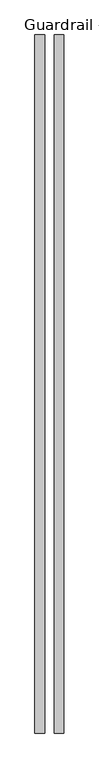
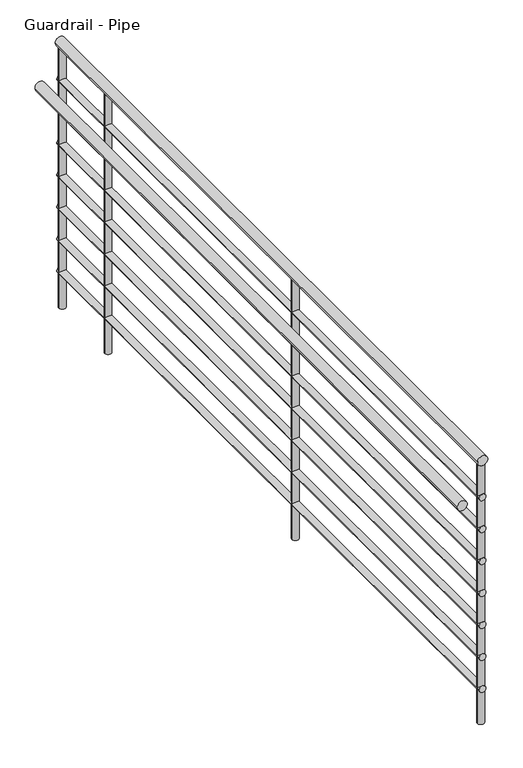
"""IFC4 building model written with IfcOpenShell, lengths in millimetres: railing geometry, Guardrail - Pipe."""

import ifcopenshell
import ifcopenshell.guid

model = None  # the IFC model being written
_history = None  # IfcOwnerHistory: only IFC2X3 demands one
_inside = {}  # id of a spatial element -> (the spatial element, [elements in it])
_under = {}  # id of a project, library or spatial element -> (it, [spatial elements below it])
_declared = {}  # id of a project -> (the project, [libraries it declares])
_typed = {}  # id of a type object -> (the type object, [elements of that type])
_made_of = {}  # id of a material, layer set ... -> (it, [elements and type objects made of it])


def new_model(schema):
    """Start an empty IFC model of exactly this schema.

    Asked for "IFC4X3", IfcOpenShell would pick the latest addendum, in which some entities
    have other attributes; the version numbers below select the first issue.
    IFC2X3 requires an IfcOwnerHistory on every rooted entity: one is made here for all.
    """
    global model, _history
    if schema == "IFC4X3":
        model = ifcopenshell.file(schema_version=(4, 3, 0, 0))
    else:
        model = ifcopenshell.file(schema=schema)
    _inside.clear()
    _under.clear()
    _declared.clear()
    _typed.clear()
    _made_of.clear()
    _history = None
    if model.schema == "IFC2X3":
        org = make("IfcOrganization", Name="unknown")
        user = make(
            "IfcPersonAndOrganization",
            ThePerson=make("IfcPerson", FamilyName="unknown"),
            TheOrganization=org,
        )
        app = make(
            "IfcApplication",
            ApplicationDeveloper=org,
            Version="unknown",
            ApplicationFullName="unknown",
            ApplicationIdentifier="unknown",
        )
        _history = make(
            "IfcOwnerHistory",
            OwningUser=user,
            OwningApplication=app,
            ChangeAction="ADDED",
            CreationDate=0,
        )
    return model


def make(cls, **values):
    """One entity of the class cls with the attributes given. An attribute that is None is left unset."""
    return model.create_entity(
        cls, **{name: value for name, value in values.items() if value is not None}
    )


def rooted(cls, **values):
    """An entity with a GlobalId (a new one), such as an element, a storey or a relation."""
    return make(cls, GlobalId=ifcopenshell.guid.new(), OwnerHistory=_history, **values)


def si_unit(unit_type, name, prefix=None):
    """IfcSIUnit, for example si_unit("LENGTHUNIT", "METRE", prefix="MILLI")."""
    return make("IfcSIUnit", UnitType=unit_type, Prefix=prefix, Name=name)


def assignment(units):
    """IfcUnitAssignment: the units of a project."""
    return None if units is None else make("IfcUnitAssignment", Units=units)


def point(xyz):
    """IfcCartesianPoint."""
    return None if xyz is None else make("IfcCartesianPoint", Coordinates=xyz)


def direction(xyz):
    """IfcDirection."""
    return None if xyz is None else make("IfcDirection", DirectionRatios=xyz)


def frame(location, z_axis=None, x_axis=None):
    """IfcAxis2Placement3D, a coordinate frame: its origin and axes. An axis left out is left unset."""
    return make(
        "IfcAxis2Placement3D",
        Location=point(location),
        Axis=direction(z_axis),
        RefDirection=direction(x_axis),
    )


def frame_2d(location, x_axis=None):
    """IfcAxis2Placement2D, a coordinate frame in the plane: its origin and x axis."""
    return make(
        "IfcAxis2Placement2D", Location=point(location), RefDirection=direction(x_axis)
    )


def origin():
    """The frame at (0, 0, 0) with its axes left unset."""
    return frame((0.0, 0.0, 0.0))


def place(relative_to, where):
    """IfcLocalPlacement: puts the frame where relative to a parent placement (None: the world)."""
    return make(
        "IfcLocalPlacement", PlacementRelTo=relative_to, RelativePlacement=where
    )


def context(
    kind, dimensions, precision=None, world=None, true_north=None, identifier=None
):
    """IfcGeometricRepresentationContext, for example the 3D "Model" context."""
    return make(
        "IfcGeometricRepresentationContext",
        ContextIdentifier=identifier,
        ContextType=kind,
        CoordinateSpaceDimension=dimensions,
        Precision=precision,
        WorldCoordinateSystem=world,
        TrueNorth=true_north,
    )


def project(units=None, contexts=None):
    """IfcProject with its units and contexts."""
    return rooted(
        "IfcProject",
        Name="project",
        RepresentationContexts=contexts,
        UnitsInContext=assignment(units),
    )


def spatial(cls, under=None, at=None, **own):
    """A site, building, storey or space (cls), placed at a placement, below another one or the project."""
    s = rooted(cls, ObjectPlacement=at, **own)
    if under is not None:
        _under.setdefault(under.id(), (under, []))[1].append(s)
    return s


def circle_curve(where, radius):
    """IfcCircle in the frame where."""
    return make("IfcCircle", Position=where, Radius=radius)


def trimmed(basis, trim1, trim2, sense, master):
    """IfcTrimmedCurve: the piece of a basis curve between two trims."""
    return make(
        "IfcTrimmedCurve",
        BasisCurve=basis,
        Trim1=trim1,
        Trim2=trim2,
        SenseAgreement=sense,
        MasterRepresentation=master,
    )


def segment(curve, same_sense, transition):
    """IfcCompositeCurveSegment."""
    return make(
        "IfcCompositeCurveSegment",
        Transition=transition,
        SameSense=same_sense,
        ParentCurve=curve,
    )


def composite_curve(segments, self_intersect=None):
    """IfcCompositeCurve: segments joined end to end."""
    return make("IfcCompositeCurve", Segments=segments, SelfIntersect=self_intersect)


def outline(outer, holes=None, kind="AREA"):
    """IfcArbitraryClosedProfileDef: a profile drawn as a closed curve; with holes, ...WithVoids."""
    if holes is None:
        return make("IfcArbitraryClosedProfileDef", ProfileType=kind, OuterCurve=outer)
    return make(
        "IfcArbitraryProfileDefWithVoids",
        ProfileType=kind,
        OuterCurve=outer,
        InnerCurves=holes,
    )


def extrude(swept, where, along, depth):
    """IfcExtrudedAreaSolid: the profile swept, set in the frame where, extruded along a direction by depth."""
    return make(
        "IfcExtrudedAreaSolid",
        SweptArea=swept,
        Position=where,
        ExtrudedDirection=direction(along),
        Depth=depth,
    )


def shape(context_of_items, identifier, shape_type, items):
    """IfcShapeRepresentation: the items that make up one representation, for example the "Body"."""
    return make(
        "IfcShapeRepresentation",
        ContextOfItems=context_of_items,
        RepresentationIdentifier=identifier,
        RepresentationType=shape_type,
        Items=items,
    )


def source(mapping_origin, context_of_items, identifier, shape_type, items):
    """IfcRepresentationMap: a shape defined once, which mapped items show again and again."""
    return make(
        "IfcRepresentationMap",
        MappingOrigin=mapping_origin,
        MappedRepresentation=shape(context_of_items, identifier, shape_type, items),
    )


def transform(
    local_origin,
    x_axis=None,
    y_axis=None,
    z_axis=None,
    scale=None,
    scale2=None,
    scale3=None,
    uniform=True,
):
    """IfcCartesianTransformationOperator3D, or its non-uniform kind. x_axis, y_axis, z_axis: its Axis1, 2, 3."""
    if uniform:
        return make(
            "IfcCartesianTransformationOperator3D",
            Axis1=direction(x_axis),
            Axis2=direction(y_axis),
            LocalOrigin=point(local_origin),
            Scale=scale,
            Axis3=direction(z_axis),
        )
    return make(
        "IfcCartesianTransformationOperator3DnonUniform",
        Axis1=direction(x_axis),
        Axis2=direction(y_axis),
        LocalOrigin=point(local_origin),
        Scale=scale,
        Axis3=direction(z_axis),
        Scale2=scale2,
        Scale3=scale3,
    )


def mapped(mapping_source, mapping_target):
    """IfcMappedItem: shows the shape of a source again, moved by a transform."""
    return make(
        "IfcMappedItem", MappingSource=mapping_source, MappingTarget=mapping_target
    )


def made_of(thing, what):
    """Note that an element or type object is made of a material, layer set ...; save() writes the relation."""
    if what is not None:
        _made_of.setdefault(what.id(), (what, []))[1].append(thing)
    return thing


def element(
    cls,
    number,
    at=None,
    inside=None,
    cuts=None,
    type_object=None,
    material=None,
    context=None,
    identifier="Body",
    shape_type=None,
    held_by="IfcProductDefinitionShape",
    body=None,
    shapes=None,
    **own,
):
    """One element of the class cls, such as IfcWall. Its Tag is "e" and its number.

    at: its placement. inside: the storey or other place that contains it. cuts: it is an
    opening in that element (IfcRelVoidsElement). A single representation is given by context,
    identifier, shape_type and body (its items); several are given by shapes. held_by: the class
    of the entity that holds the representations. save() writes the other relations.
    """
    e = rooted(cls, Tag="e%d" % number, ObjectPlacement=at, **own)
    if body is not None:
        shapes = [shape(context, identifier, shape_type, body)]
    if shapes is not None:
        e.Representation = make(held_by, Representations=shapes)
    if inside is not None:
        _inside.setdefault(inside.id(), (inside, []))[1].append(e)
    if cuts is not None:
        rooted(
            "IfcRelVoidsElement", RelatingBuildingElement=cuts, RelatedOpeningElement=e
        )
    if type_object is not None:
        _typed.setdefault(type_object.id(), (type_object, []))[1].append(e)
    return made_of(e, material)


def aggregate(whole, parts):
    """IfcRelAggregates: a whole, such as a stair, and the parts it consists of."""
    return rooted("IfcRelAggregates", RelatingObject=whole, RelatedObjects=parts)


def save(model, path):
    """Write the relations noted so far, then the file.

    IfcRelAggregates (storeys below a building ...), IfcRelContainedInSpatialStructure (elements
    in a storey), IfcRelDefinesByType, IfcRelAssociatesMaterial and IfcRelDeclares: one each for
    every whole, place, type object, material and project.
    """
    for whole, parts in _under.values():
        aggregate(whole, parts)
    for where, things in _inside.values():
        rooted(
            "IfcRelContainedInSpatialStructure",
            RelatedElements=things,
            RelatingStructure=where,
        )
    for kind, things in _typed.values():
        rooted("IfcRelDefinesByType", RelatedObjects=things, RelatingType=kind)
    for what, things in _made_of.values():
        rooted("IfcRelAssociatesMaterial", RelatedObjects=things, RelatingMaterial=what)
    for by, libraries in _declared.values():
        rooted("IfcRelDeclares", RelatingContext=by, RelatedDefinitions=libraries)
    model.write(path)


def guardrail_pipe_5ca33000(model_context):
    return source(origin(), model_context, "Body", "SweptSolid", [
        extrude(outline(composite_curve([segment(trimmed(circle_curve(frame_2d((4087.75, 1291.8063517)), 19.05), [point((4087.75, 1272.7563517))], [point((4087.75, 1310.8563517))], False, "CARTESIAN"), True, "CONTINUOUS"), segment(trimmed(circle_curve(frame_2d((4087.75, 1291.8063517)), 19.05), [point((4087.75, 1310.8563517))], [point((4087.75, 1272.7563517))], False, "CARTESIAN"), True, "CONTINUOUS")], self_intersect=False)), frame((0.0, 1688.7780062, 0.0), z_axis=(0.0, 1.0, 0.0), x_axis=(0.0, 0.0, 1.0)), (0.0, 0.0, 1.0), 2748.4278406),
        extrude(outline(composite_curve([segment(trimmed(circle_curve(frame_2d((3941.7, 1291.8063517)), 12.7), [point((3941.7, 1279.1063517))], [point((3941.7, 1304.5063517))], False, "CARTESIAN"), True, "CONTINUOUS"), segment(trimmed(circle_curve(frame_2d((3941.7, 1291.8063517)), 12.7), [point((3941.7, 1304.5063517))], [point((3941.7, 1279.1063517))], False, "CARTESIAN"), True, "CONTINUOUS")], self_intersect=False)), frame((0.0, 1688.7780062, 0.0), z_axis=(0.0, 1.0, 0.0), x_axis=(0.0, 0.0, 1.0)), (0.0, 0.0, 1.0), 2748.4278406),
        extrude(outline(composite_curve([segment(trimmed(circle_curve(frame_2d((3935.35, 1215.6063517)), 19.05), [point((3935.35, 1196.5563517))], [point((3935.35, 1234.6563517))], False, "CARTESIAN"), True, "CONTINUOUS"), segment(trimmed(circle_curve(frame_2d((3935.35, 1215.6063517)), 19.05), [point((3935.35, 1234.6563517))], [point((3935.35, 1196.5563517))], False, "CARTESIAN"), True, "CONTINUOUS")], self_intersect=False)), frame((0.0, 1688.7780062, 0.0), z_axis=(0.0, 1.0, 0.0), x_axis=(0.0, 0.0, 1.0)), (0.0, 0.0, 1.0), 2748.4278406),
        extrude(outline(composite_curve([segment(trimmed(circle_curve(frame_2d((3814.7, 1291.8063517)), 12.7), [point((3814.7, 1279.1063517))], [point((3814.7, 1304.5063517))], False, "CARTESIAN"), True, "CONTINUOUS"), segment(trimmed(circle_curve(frame_2d((3814.7, 1291.8063517)), 12.7), [point((3814.7, 1304.5063517))], [point((3814.7, 1279.1063517))], False, "CARTESIAN"), True, "CONTINUOUS")], self_intersect=False)), frame((0.0, 1688.7780062, 0.0), z_axis=(0.0, 1.0, 0.0), x_axis=(0.0, 0.0, 1.0)), (0.0, 0.0, 1.0), 2748.4278406),
        extrude(outline(composite_curve([segment(trimmed(circle_curve(frame_2d((3687.7, 1291.8063517)), 12.7), [point((3687.7, 1279.1063517))], [point((3687.7, 1304.5063517))], False, "CARTESIAN"), True, "CONTINUOUS"), segment(trimmed(circle_curve(frame_2d((3687.7, 1291.8063517)), 12.7), [point((3687.7, 1304.5063517))], [point((3687.7, 1279.1063517))], False, "CARTESIAN"), True, "CONTINUOUS")], self_intersect=False)), frame((0.0, 1688.7780062, 0.0), z_axis=(0.0, 1.0, 0.0), x_axis=(0.0, 0.0, 1.0)), (0.0, 0.0, 1.0), 2748.4278406),
        extrude(outline(composite_curve([segment(trimmed(circle_curve(frame_2d((3560.7, 1291.8063517)), 12.7), [point((3560.7, 1279.1063517))], [point((3560.7, 1304.5063517))], False, "CARTESIAN"), True, "CONTINUOUS"), segment(trimmed(circle_curve(frame_2d((3560.7, 1291.8063517)), 12.7), [point((3560.7, 1304.5063517))], [point((3560.7, 1279.1063517))], False, "CARTESIAN"), True, "CONTINUOUS")], self_intersect=False)), frame((0.0, 1688.7780062, 0.0), z_axis=(0.0, 1.0, 0.0), x_axis=(0.0, 0.0, 1.0)), (0.0, 0.0, 1.0), 2748.4278406),
        extrude(outline(composite_curve([segment(trimmed(circle_curve(frame_2d((3433.7, 1291.8063517)), 12.7), [point((3433.7, 1279.1063517))], [point((3433.7, 1304.5063517))], False, "CARTESIAN"), True, "CONTINUOUS"), segment(trimmed(circle_curve(frame_2d((3433.7, 1291.8063517)), 12.7), [point((3433.7, 1304.5063517))], [point((3433.7, 1279.1063517))], False, "CARTESIAN"), True, "CONTINUOUS")], self_intersect=False)), frame((0.0, 1688.7780062, 0.0), z_axis=(0.0, 1.0, 0.0), x_axis=(0.0, 0.0, 1.0)), (0.0, 0.0, 1.0), 2748.4278406),
        extrude(outline(composite_curve([segment(trimmed(circle_curve(frame_2d((3306.7, 1291.8063517)), 12.7), [point((3306.7, 1279.1063517))], [point((3306.7, 1304.5063517))], False, "CARTESIAN"), True, "CONTINUOUS"), segment(trimmed(circle_curve(frame_2d((3306.7, 1291.8063517)), 12.7), [point((3306.7, 1304.5063517))], [point((3306.7, 1279.1063517))], False, "CARTESIAN"), True, "CONTINUOUS")], self_intersect=False)), frame((0.0, 1688.7780062, 0.0), z_axis=(0.0, 1.0, 0.0), x_axis=(0.0, 0.0, 1.0)), (0.0, 0.0, 1.0), 2748.4278406),
        extrude(outline(composite_curve([segment(trimmed(circle_curve(frame_2d((3179.7, 1291.8063517)), 12.7), [point((3179.7, 1279.1063517))], [point((3179.7, 1304.5063517))], False, "CARTESIAN"), True, "CONTINUOUS"), segment(trimmed(circle_curve(frame_2d((3179.7, 1291.8063517)), 12.7), [point((3179.7, 1304.5063517))], [point((3179.7, 1279.1063517))], False, "CARTESIAN"), True, "CONTINUOUS")], self_intersect=False)), frame((0.0, 1688.7780062, 0.0), z_axis=(0.0, 1.0, 0.0), x_axis=(0.0, 0.0, 1.0)), (0.0, 0.0, 1.0), 2748.4278406),
        extrude(outline(composite_curve([segment(trimmed(circle_curve(frame_2d((1291.8063517, 4127.1780062)), 12.7), [point((1279.1063517, 4127.1780062))], [point((1304.5063517, 4127.1780062))], False, "CARTESIAN"), True, "CONTINUOUS"), segment(trimmed(circle_curve(frame_2d((1291.8063517, 4127.1780062)), 12.7), [point((1304.5063517, 4127.1780062))], [point((1279.1063517, 4127.1780062))], False, "CARTESIAN"), True, "CONTINUOUS")], self_intersect=False)), frame((0.0, 0.0, 3040.0), z_axis=(0.0, 0.0, 1.0), x_axis=(1.0, 0.0, 0.0)), (0.0, 0.0, 1.0), 1028.7),
        extrude(outline(composite_curve([segment(trimmed(circle_curve(frame_2d((1291.8063517, 2907.9780062)), 12.7), [point((1279.1063517, 2907.9780062))], [point((1304.5063517, 2907.9780062))], False, "CARTESIAN"), True, "CONTINUOUS"), segment(trimmed(circle_curve(frame_2d((1291.8063517, 2907.9780062)), 12.7), [point((1304.5063517, 2907.9780062))], [point((1279.1063517, 2907.9780062))], False, "CARTESIAN"), True, "CONTINUOUS")], self_intersect=False)), frame((0.0, 0.0, 3040.0), z_axis=(0.0, 0.0, 1.0), x_axis=(1.0, 0.0, 0.0)), (0.0, 0.0, 1.0), 1028.7),
        extrude(outline(composite_curve([segment(trimmed(circle_curve(frame_2d((1291.8063517, 4424.5058469)), 12.7), [point((1279.1063517, 4424.5058469))], [point((1304.5063517, 4424.5058469))], False, "CARTESIAN"), True, "CONTINUOUS"), segment(trimmed(circle_curve(frame_2d((1291.8063517, 4424.5058469)), 12.7), [point((1304.5063517, 4424.5058469))], [point((1279.1063517, 4424.5058469))], False, "CARTESIAN"), True, "CONTINUOUS")], self_intersect=False)), frame((0.0, 0.0, 3040.0), z_axis=(0.0, 0.0, 1.0), x_axis=(1.0, 0.0, 0.0)), (0.0, 0.0, 1.0), 1028.7),
        extrude(outline(composite_curve([segment(trimmed(circle_curve(frame_2d((1291.8063517, 1701.4780062)), 12.7), [point((1279.1063517, 1701.4780062))], [point((1304.5063517, 1701.4780062))], False, "CARTESIAN"), True, "CONTINUOUS"), segment(trimmed(circle_curve(frame_2d((1291.8063517, 1701.4780062)), 12.7), [point((1304.5063517, 1701.4780062))], [point((1279.1063517, 1701.4780062))], False, "CARTESIAN"), True, "CONTINUOUS")], self_intersect=False)), frame((0.0, 0.0, 3040.0), z_axis=(0.0, 0.0, 1.0), x_axis=(1.0, 0.0, 0.0)), (0.0, 0.0, 1.0), 1028.7),
    ])


if __name__ == "__main__":
    model = new_model("IFC4")
    model_context = context("Model", 3, world=origin())
    ifc_project = project(units=[si_unit("LENGTHUNIT", "METRE", prefix="MILLI")], contexts=[model_context])
    site = spatial("IfcSite", under=ifc_project)
    building = spatial("IfcBuilding", under=site)
    placement = place(None, origin())
    guardrail_pipe_shape = guardrail_pipe_5ca33000(model_context)
    element("IfcRailing", 1, ObjectType="Guardrail - Pipe", at=placement, inside=building, context=model_context, shape_type="MappedRepresentation", body=[
        mapped(guardrail_pipe_shape, transform((0.0, 0.0, 0.0), x_axis=(1.0, 0.0, 0.0), y_axis=(0.0, 1.0, 0.0), z_axis=(0.0, 0.0, 1.0))),
    ])
    save(model, "model.ifc")
